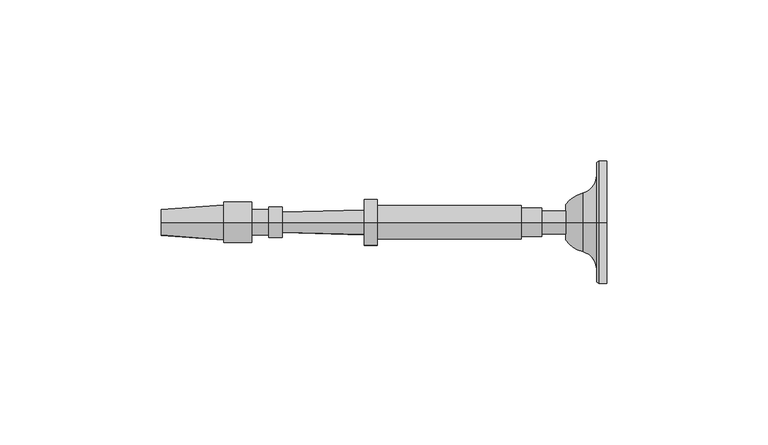
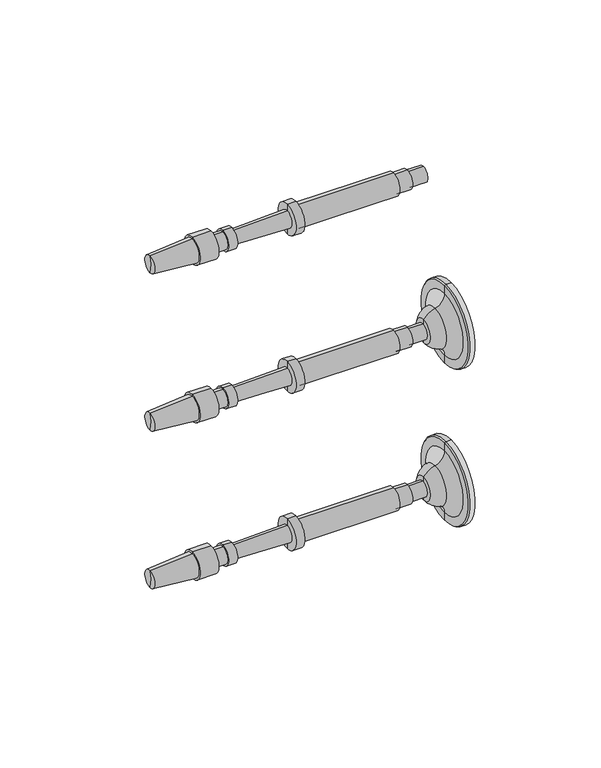
"""IFC4 building model written with IfcOpenShell, lengths in millimetres: railing geometry."""

from ifc_helpers import new_model, si_unit, point, frame, origin, place, context, project, spatial, polyline, circle_curve, ellipse_curve, trimmed, source, transform, mapped, element, save
from ifc_brep_helpers import plane_surface, cylinder_surface, revolved_surface, advanced_brep


def railing_0dcd67a9(model_context):
    return source(origin(), model_context, "Body", "AdvancedBrep", [
        advanced_brep(
        [(4032.408954, 20313.0866843, 33140.0282881), (4032.408954, 20313.0866843, 33147.1720381), (4032.408954, 20313.0866843, 33143.6001631), (3907.4650648, 20313.0866843, 33143.6001631), (3907.1694004, 20313.0866843, 33147.6246235), (3907.1694004, 20313.0866843, 33139.5757028), (3926.5127644, 20313.0866843, 33149.045719), (3926.5127644, 20313.0866843, 33138.1546072), (3926.5127644, 20313.0866843, 33149.9386877), (3926.5127644, 20313.0866843, 33137.2616385), (3935.1447956, 20313.0866843, 33149.9386877), (3935.1447956, 20313.0866843, 33137.2616385), (3935.1447956, 20313.0866843, 33147.5574377), (3935.1447956, 20313.0866843, 33139.6428885), (3940.5026081, 20313.0866843, 33147.5574377), (3940.5026081, 20313.0866843, 33139.6428885), (3940.5026081, 20313.0866843, 33148.3511877), (3940.5026081, 20313.0866843, 33138.8491385), (3944.5705769, 20313.0866843, 33148.3511877), (3944.5705769, 20313.0866843, 33138.8491385), (3944.614664, 20313.0866843, 33146.7643), (3944.614664, 20313.0866843, 33140.4360262), (3970.0048672, 20313.0866843, 33147.4696944), (3970.0048672, 20313.0866843, 33139.7306319), (3970.0048672, 20313.0866843, 33150.7439131), (3970.0048672, 20313.0866843, 33136.4564131), (3973.9736172, 20313.0866843, 33150.7439131), (3973.9736172, 20313.0866843, 33136.4564131), (3973.9736172, 20313.0866843, 33148.7595381), (3973.9736172, 20313.0866843, 33138.4407881), (4018.7212735, 20313.0866843, 33148.7595381), (4018.7212735, 20313.0866843, 33138.4407881), (4018.7212735, 20313.0866843, 33147.9657881), (4018.7212735, 20313.0866843, 33139.2345381), (4025.0712735, 20313.0866843, 33147.9657881), (4025.0712735, 20313.0866843, 33139.2345381), (4025.0712735, 20313.0866843, 33147.1720381), (4025.0712735, 20313.0866843, 33140.0282881)],
        [
            (0, 1, circle_curve(frame((4032.408954, 20313.0866843, 33143.6001631), z_axis=(1.0, 0.0, 0.0), x_axis=(0.0, 0.0, 1.0000000000000002)), 3.571875)),
            (1, 2),
            (2, 0),
            (1, 0, circle_curve(frame((4032.408954, 20313.0866843, 33143.6001631), z_axis=(1.0, 0.0, 0.0), x_axis=(0.0, 0.0, 1.0000000000000002)), 3.571875)),
            (3, 4),
            (4, 5, circle_curve(frame((3907.1694004, 20313.0866843, 33143.6001631), z_axis=(-1.0, 0.0, 0.0), x_axis=(0.0, 0.0, 1.0000000000000002)), 4.0244604)),
            (5, 3),
            (5, 4, circle_curve(frame((3907.1694004, 20313.0866843, 33143.6001631), z_axis=(-1.0, 0.0, 0.0), x_axis=(0.0, 0.0, 1.0000000000000002)), 4.0244604)),
            (4, 6),
            (6, 7, circle_curve(frame((3926.5127644, 20313.0866843, 33143.6001631), z_axis=(-1.0, 0.0, 0.0), x_axis=(0.0, 0.0, 1.0000000000000002)), 5.4455559)),
            (7, 5),
            (7, 6, circle_curve(frame((3926.5127644, 20313.0866843, 33143.6001631), z_axis=(-1.0, 0.0, 0.0), x_axis=(0.0, 0.0, 1.0000000000000002)), 5.4455559)),
            (6, 8),
            (8, 9, circle_curve(frame((3926.5127644, 20313.0866843, 33143.6001631), z_axis=(-1.0, 0.0, 0.0), x_axis=(0.0, 0.0, 1.0000000000000002)), 6.3385246)),
            (9, 7),
            (9, 8, circle_curve(frame((3926.5127644, 20313.0866843, 33143.6001631), z_axis=(-1.0, 0.0, 0.0), x_axis=(0.0, 0.0, 1.0000000000000002)), 6.3385246)),
            (8, 10),
            (10, 11, circle_curve(frame((3935.1447956, 20313.0866843, 33143.6001631), z_axis=(-1.0, 0.0, 0.0), x_axis=(0.0, 0.0, 1.0000000000000002)), 6.3385246)),
            (11, 9),
            (11, 10, circle_curve(frame((3935.1447956, 20313.0866843, 33143.6001631), z_axis=(-1.0, 0.0, 0.0), x_axis=(0.0, 0.0, 1.0000000000000002)), 6.3385246)),
            (10, 12),
            (12, 13, circle_curve(frame((3935.1447956, 20313.0866843, 33143.6001631), z_axis=(-1.0, 0.0, 0.0), x_axis=(0.0, 0.0, 1.0000000000000002)), 3.9572746)),
            (13, 11),
            (13, 12, circle_curve(frame((3935.1447956, 20313.0866843, 33143.6001631), z_axis=(-1.0, 0.0, 0.0), x_axis=(0.0, 0.0, 1.0000000000000002)), 3.9572746)),
            (12, 14),
            (14, 15, circle_curve(frame((3940.5026081, 20313.0866843, 33143.6001631), z_axis=(-1.0, 0.0, 0.0), x_axis=(0.0, 0.0, 1.0000000000000002)), 3.9572746)),
            (15, 13),
            (15, 14, circle_curve(frame((3940.5026081, 20313.0866843, 33143.6001631), z_axis=(-1.0, 0.0, 0.0), x_axis=(0.0, 0.0, 1.0000000000000002)), 3.9572746)),
            (14, 16),
            (16, 17, circle_curve(frame((3940.5026081, 20313.0866843, 33143.6001631), z_axis=(-1.0, 0.0, 0.0), x_axis=(0.0, 0.0, 1.0000000000000002)), 4.7510246)),
            (17, 15),
            (17, 16, circle_curve(frame((3940.5026081, 20313.0866843, 33143.6001631), z_axis=(-1.0, 0.0, 0.0), x_axis=(0.0, 0.0, 1.0000000000000002)), 4.7510246)),
            (16, 18),
            (18, 19, circle_curve(frame((3944.5705769, 20313.0866843, 33143.6001631), z_axis=(-1.0, 0.0, 0.0), x_axis=(0.0, 0.0, 1.0000000000000002)), 4.7510246)),
            (19, 17),
            (19, 18, circle_curve(frame((3944.5705769, 20313.0866843, 33143.6001631), z_axis=(-1.0, 0.0, 0.0), x_axis=(0.0, 0.0, 1.0000000000000002)), 4.7510246)),
            (18, 20),
            (20, 21, circle_curve(frame((3944.614664, 20313.0866843, 33143.6001631), z_axis=(-1.0, 0.0, 0.0), x_axis=(0.0, 0.0, 1.0000000000000002)), 3.1641369)),
            (21, 19),
            (21, 20, circle_curve(frame((3944.614664, 20313.0866843, 33143.6001631), z_axis=(-1.0, 0.0, 0.0), x_axis=(0.0, 0.0, 1.0000000000000002)), 3.1641369)),
            (20, 22),
            (22, 23, circle_curve(frame((3970.0048672, 20313.0866843, 33143.6001631), z_axis=(-1.0, 0.0, 0.0), x_axis=(0.0, 0.0, 1.0000000000000002)), 3.8695313)),
            (23, 21),
            (23, 22, circle_curve(frame((3970.0048672, 20313.0866843, 33143.6001631), z_axis=(-1.0, 0.0, 0.0), x_axis=(0.0, 0.0, 1.0000000000000002)), 3.8695313)),
            (22, 24),
            (24, 25, circle_curve(frame((3970.0048672, 20313.0866843, 33143.6001631), z_axis=(-1.0, 0.0, 0.0), x_axis=(0.0, 0.0, 1.0000000000000002)), 7.14375)),
            (25, 23),
            (25, 24, circle_curve(frame((3970.0048672, 20313.0866843, 33143.6001631), z_axis=(-1.0, 0.0, 0.0), x_axis=(0.0, 0.0, 1.0000000000000002)), 7.14375)),
            (24, 26),
            (26, 27, circle_curve(frame((3973.9736172, 20313.0866843, 33143.6001631), z_axis=(-1.0, 0.0, 0.0), x_axis=(0.0, 0.0, 1.0000000000000002)), 7.14375)),
            (27, 25),
            (27, 26, circle_curve(frame((3973.9736172, 20313.0866843, 33143.6001631), z_axis=(-1.0, 0.0, 0.0), x_axis=(0.0, 0.0, 1.0000000000000002)), 7.14375)),
            (26, 28),
            (28, 29, circle_curve(frame((3973.9736172, 20313.0866843, 33143.6001631), z_axis=(-1.0, 0.0, 0.0), x_axis=(0.0, 0.0, 1.0000000000000002)), 5.159375)),
            (29, 27),
            (29, 28, circle_curve(frame((3973.9736172, 20313.0866843, 33143.6001631), z_axis=(-1.0, 0.0, 0.0), x_axis=(0.0, 0.0, 1.0000000000000002)), 5.159375)),
            (28, 30),
            (30, 31, circle_curve(frame((4018.7212735, 20313.0866843, 33143.6001631), z_axis=(-1.0, 0.0, 0.0), x_axis=(0.0, 0.0, 1.0000000000000002)), 5.159375)),
            (31, 29),
            (31, 30, circle_curve(frame((4018.7212735, 20313.0866843, 33143.6001631), z_axis=(-1.0, 0.0, 0.0), x_axis=(0.0, 0.0, 1.0000000000000002)), 5.159375)),
            (30, 32),
            (32, 33, circle_curve(frame((4018.7212735, 20313.0866843, 33143.6001631), z_axis=(-1.0, 0.0, 0.0), x_axis=(0.0, 0.0, 1.0000000000000002)), 4.365625)),
            (33, 31),
            (33, 32, circle_curve(frame((4018.7212735, 20313.0866843, 33143.6001631), z_axis=(-1.0, 0.0, 0.0), x_axis=(0.0, 0.0, 1.0000000000000002)), 4.365625)),
            (32, 34),
            (34, 35, circle_curve(frame((4025.0712735, 20313.0866843, 33143.6001631), z_axis=(-1.0, 0.0, 0.0), x_axis=(0.0, 0.0, 1.0000000000000002)), 4.365625)),
            (35, 33),
            (35, 34, circle_curve(frame((4025.0712735, 20313.0866843, 33143.6001631), z_axis=(-1.0, 0.0, 0.0), x_axis=(0.0, 0.0, 1.0000000000000002)), 4.365625)),
            (34, 36),
            (36, 37, circle_curve(frame((4025.0712735, 20313.0866843, 33143.6001631), z_axis=(-1.0, 0.0, 0.0), x_axis=(0.0, 0.0, 1.0000000000000002)), 3.571875)),
            (37, 35),
            (37, 36, circle_curve(frame((4025.0712735, 20313.0866843, 33143.6001631), z_axis=(-1.0, 0.0, 0.0), x_axis=(0.0, 0.0, 1.0000000000000002)), 3.571875)),
            (36, 1),
            (0, 37),
        ],
        [
            plane_surface(frame((4032.408954, 20313.0866843, 33143.6001631), z_axis=(1.0, 0.0, 0.0), x_axis=(0.0, 0.0, 1.0))),
            revolved_surface(polyline([(3907.1694004, 20313.0866843, 33147.6246235), (3907.4650648, 20313.0866843, 33143.6001631)]), (3907.4650648, 20313.0866843, 33143.6001631), (-1.0, 0.0, 0.0)),
            revolved_surface(polyline([(3926.5127644, 20313.0866843, 33149.045719), (3907.1694004, 20313.0866843, 33147.6246235)]), (3907.4650648, 20313.0866843, 33143.6001631), (-1.0, 0.0, 0.0)),
            plane_surface(frame((3926.5127644, 20313.0866843, 33143.6001631), z_axis=(-1.0, 0.0, 0.0), x_axis=(0.0, 0.0, 1.0))),
            cylinder_surface(frame((3907.4650648, 20313.0866843, 33143.6001631), z_axis=(-1.0, 0.0, 0.0), x_axis=(0.0, 0.0, 1.0000000000000002)), 6.3385246),
            plane_surface(frame((3935.1447956, 20313.0866843, 33143.6001631), z_axis=(1.0, 0.0, 0.0), x_axis=(0.0, 0.0, 1.0))),
            cylinder_surface(frame((3907.4650648, 20313.0866843, 33143.6001631), z_axis=(-1.0, 0.0, 0.0), x_axis=(0.0, 0.0, 1.0000000000000002)), 3.9572746),
            plane_surface(frame((3940.5026081, 20313.0866843, 33143.6001631), z_axis=(-1.0, 0.0, 0.0), x_axis=(0.0, 0.0, 1.0))),
            cylinder_surface(frame((3907.4650648, 20313.0866843, 33143.6001631), z_axis=(-1.0, 0.0, 0.0), x_axis=(0.0, 0.0, 1.0000000000000002)), 4.7510246),
            plane_surface(frame((3944.614664, 20313.0866843, 33143.6001631), z_axis=(1.0, 0.0, 0.0), x_axis=(0.0, 0.0, 1.0))),
            revolved_surface(polyline([(3970.0048672, 20313.0866843, 33147.4696944), (3944.614664, 20313.0866843, 33146.7643)]), (3907.4650648, 20313.0866843, 33143.6001631), (-1.0, 0.0, 0.0)),
            plane_surface(frame((3970.0048672, 20313.0866843, 33143.6001631), z_axis=(-1.0, 0.0, 0.0), x_axis=(0.0, 0.0, 1.0))),
            cylinder_surface(frame((3907.4650648, 20313.0866843, 33143.6001631), z_axis=(-1.0, 0.0, 0.0), x_axis=(0.0, 0.0, 1.0000000000000002)), 7.14375),
            plane_surface(frame((3973.9736172, 20313.0866843, 33143.6001631), z_axis=(1.0, 0.0, 0.0), x_axis=(0.0, 0.0, 1.0))),
            cylinder_surface(frame((3907.4650648, 20313.0866843, 33143.6001631), z_axis=(-1.0, 0.0, 0.0), x_axis=(0.0, 0.0, 1.0000000000000002)), 5.159375),
            plane_surface(frame((4018.7212735, 20313.0866843, 33143.6001631), z_axis=(1.0, 0.0, 0.0), x_axis=(0.0, 0.0, 1.0))),
            cylinder_surface(frame((3907.4650648, 20313.0866843, 33143.6001631), z_axis=(-1.0, 0.0, 0.0), x_axis=(0.0, 0.0, 1.0000000000000002)), 4.365625),
            plane_surface(frame((4025.0712735, 20313.0866843, 33143.6001631), z_axis=(1.0, 0.0, 0.0), x_axis=(0.0, 0.0, 1.0))),
            cylinder_surface(frame((3907.4650648, 20313.0866843, 33143.6001631), z_axis=(-1.0, 0.0, 0.0), x_axis=(0.0, 0.0, 1.0000000000000002)), 3.571875),
        ],
        [
            (0, [[1, 2, 3]]),
            (0, [[4, -3, -2]]),
            (1, [[5, 6, 7]]),
            (1, [[-7, 8, -5]]),
            (2, [[-6, 9, 10, 11]]),
            (2, [[-8, -11, 12, -9]]),
            (3, [[-10, 13, 14, 15]]),
            (3, [[-12, -15, 16, -13]]),
            (4, [[-14, 17, 18, 19]]),
            (4, [[-16, -19, 20, -17]]),
            (5, [[-18, 21, 22, 23]]),
            (5, [[-20, -23, 24, -21]]),
            (6, [[-22, 25, 26, 27]]),
            (6, [[-24, -27, 28, -25]]),
            (7, [[-26, 29, 30, 31]]),
            (7, [[-28, -31, 32, -29]]),
            (8, [[-30, 33, 34, 35]]),
            (8, [[-32, -35, 36, -33]]),
            (9, [[-34, 37, 38, 39]]),
            (9, [[-36, -39, 40, -37]]),
            (10, [[-38, 41, 42, 43]]),
            (10, [[-40, -43, 44, -41]]),
            (11, [[-42, 45, 46, 47]]),
            (11, [[-44, -47, 48, -45]]),
            (12, [[-46, 49, 50, 51]]),
            (12, [[-48, -51, 52, -49]]),
            (13, [[-50, 53, 54, 55]]),
            (13, [[-52, -55, 56, -53]]),
            (14, [[-54, 57, 58, 59]]),
            (14, [[-56, -59, 60, -57]]),
            (15, [[-58, 61, 62, 63]]),
            (15, [[-60, -63, 64, -61]]),
            (16, [[-62, 65, 66, 67]]),
            (16, [[-64, -67, 68, -65]]),
            (17, [[-66, 69, 70, 71]]),
            (17, [[-68, -71, 72, -69]]),
            (18, [[-70, 73, -1, 74]]),
            (18, [[-72, -74, -4, -73]]),
        ],
    ),
        advanced_brep(
        [(4045.1015906, 20313.0866843, 33067.4001631), (4045.1015906, 20313.0866843, 33048.3501631), (4045.1015906, 20313.0866843, 33086.4501631), (4032.408954, 20313.0866843, 33061.8769785), (4032.408954, 20313.0866843, 33067.4001631), (4032.408954, 20313.0866843, 33072.9233478), (4037.6850504, 20313.0866843, 33058.2720381), (4037.6850504, 20313.0866843, 33076.5282881), (4042.0506754, 20313.0866843, 33052.6458254), (4042.0506754, 20313.0866843, 33082.1545009), (4042.0506754, 20313.0866843, 33048.7762941), (4042.0506754, 20313.0866843, 33086.0240321), (4042.7203406, 20313.0866843, 33048.3501631), (4042.7203406, 20313.0866843, 33086.4501631)],
        [
            (0, 1),
            (1, 2, circle_curve(frame((4045.1015906, 20313.0866843, 33067.4001631), z_axis=(1.0, 0.0, 0.0), x_axis=(0.0, 0.0, 1.0)), 19.05)),
            (2, 0),
            (2, 1, circle_curve(frame((4045.1015906, 20313.0866843, 33067.4001631), z_axis=(1.0, 0.0, 0.0), x_axis=(0.0, 0.0, 1.0)), 19.05)),
            (3, 4),
            (4, 5),
            (5, 3, circle_curve(frame((4032.408954, 20313.0866843, 33067.4001631), z_axis=(-1.0, 0.0, 0.0), x_axis=(0.0, 0.0, 1.0)), 5.5231846)),
            (3, 5, circle_curve(frame((4032.408954, 20313.0866843, 33067.4001631), z_axis=(-1.0, 0.0, 0.0), x_axis=(0.0, 0.0, 1.0)), 5.5231846)),
            (6, 3, circle_curve(frame((4040.0094591, 20313.0866843, 33067.3374304), z_axis=(0.0, 1.0, 0.0), x_axis=(-1.0, 0.0, 0.0)), 9.3586438)),
            (5, 7, circle_curve(frame((4040.0094591, 20313.0866843, 33067.4628958), z_axis=(0.0, 1.0, 0.0), x_axis=(-1.0, 0.0, 0.0)), 9.3586438)),
            (7, 6, circle_curve(frame((4037.6850504, 20313.0866843, 33067.4001631), z_axis=(-1.0, 0.0, 0.0), x_axis=(0.0, 0.0, 1.0)), 9.128125)),
            (6, 7, circle_curve(frame((4037.6850504, 20313.0866843, 33067.4001631), z_axis=(-1.0, 0.0, 0.0), x_axis=(0.0, 0.0, 1.0)), 9.128125)),
            (8, 6, circle_curve(frame((4036.2424634, 20313.0866843, 33052.6458254), z_axis=(0.0, -1.0, 0.0), x_axis=(-1.0, 0.0, 0.0)), 5.8082121)),
            (7, 9, circle_curve(frame((4036.2424634, 20313.0866843, 33082.1545009), z_axis=(0.0, -1.0, 0.0), x_axis=(-1.0, 0.0, 0.0)), 5.8082121)),
            (9, 8, circle_curve(frame((4042.0506754, 20313.0866843, 33067.4001631), z_axis=(-1.0, 0.0, 0.0), x_axis=(0.0, 0.0, 1.0)), 14.7543378)),
            (8, 9, circle_curve(frame((4042.0506754, 20313.0866843, 33067.4001631), z_axis=(-1.0, 0.0, 0.0), x_axis=(0.0, 0.0, 1.0)), 14.7543378)),
            (10, 8),
            (9, 11),
            (11, 10, circle_curve(frame((4042.0506754, 20313.0866843, 33067.4001631), z_axis=(-1.0, 0.0, 0.0), x_axis=(0.0, 0.0, 1.0)), 18.623869)),
            (10, 11, circle_curve(frame((4042.0506754, 20313.0866843, 33067.4001631), z_axis=(-1.0, 0.0, 0.0), x_axis=(0.0, 0.0, 1.0)), 18.623869)),
            (12, 10),
            (11, 13),
            (13, 12, circle_curve(frame((4042.7203406, 20313.0866843, 33067.4001631), z_axis=(-1.0, 0.0, 0.0), x_axis=(0.0, 0.0, 1.0)), 19.05)),
            (12, 13, circle_curve(frame((4042.7203406, 20313.0866843, 33067.4001631), z_axis=(-1.0, 0.0, 0.0), x_axis=(0.0, 0.0, 1.0)), 19.05)),
            (1, 12),
            (13, 2),
        ],
        [
            plane_surface(frame((4045.1015906, 20313.0866843, 33067.4001631), z_axis=(1.0, 0.0, 0.0), x_axis=(0.0, 0.0, 1.0))),
            plane_surface(frame((4032.408954, 20313.0866843, 33067.4001631), z_axis=(-1.0, 0.0, 0.0), x_axis=(0.0, 0.0, 1.0))),
            revolved_surface(trimmed(ellipse_curve(frame((4040.0094591, 20313.0866843, 33067.4628958), z_axis=(0.0, 1.0, 0.0), x_axis=(-1.0, 0.0, 0.0)), 9.3586438, 9.3586438), [point((4032.408954, 20313.0866843, 33072.9233478))], [point((4037.6850504, 20313.0866843, 33076.5282881))], True, "CARTESIAN"), (4045.1015906, 20313.0866843, 33067.4001631), (1.0, 0.0, 0.0)),
            revolved_surface(trimmed(ellipse_curve(frame((4036.2424634, 20313.0866843, 33082.1545009), z_axis=(0.0, -1.0, 0.0), x_axis=(-1.0, 0.0, 0.0)), 5.8082121, 5.8082121), [point((4037.6850504, 20313.0866843, 33076.5282881))], [point((4042.0506754, 20313.0866843, 33082.1545009))], True, "CARTESIAN"), (4045.1015906, 20313.0866843, 33067.4001631), (1.0, 0.0, 0.0)),
            plane_surface(frame((4042.0506754, 20313.0866843, 33067.4001631), z_axis=(-1.0, 0.0, 0.0), x_axis=(0.0, 0.0, 1.0))),
            revolved_surface(polyline([(4042.0506754, 20313.0866843, 33086.0240321), (4042.7203406, 20313.0866843, 33086.4501631)]), (4045.1015906, 20313.0866843, 33067.4001631), (1.0, 0.0, 0.0)),
            cylinder_surface(frame((4045.1015906, 20313.0866843, 33067.4001631), z_axis=(1.0, 0.0, 0.0), x_axis=(0.0, 0.0, 1.0)), 19.05),
        ],
        [
            (0, [[1, 2, 3]]),
            (0, [[-3, 4, -1]]),
            (1, [[5, 6, 7]]),
            (1, [[-6, -5, 8]]),
            (2, [[9, -7, 10, 11]]),
            (2, [[-10, -8, -9, 12]]),
            (3, [[13, -11, 14, 15]]),
            (3, [[-14, -12, -13, 16]]),
            (4, [[17, -15, 18, 19]]),
            (4, [[-18, -16, -17, 20]]),
            (5, [[21, -19, 22, 23]]),
            (5, [[-22, -20, -21, 24]]),
            (6, [[25, -23, 26, -2]]),
            (6, [[-26, -24, -25, -4]]),
        ],
    ),
        advanced_brep(
        [(4032.408954, 20313.0866843, 33063.8282881), (4032.408954, 20313.0866843, 33070.9720381), (4032.408954, 20313.0866843, 33067.4001631), (3907.4650648, 20313.0866843, 33067.4001631), (3907.1694004, 20313.0866843, 33071.4246235), (3907.1694004, 20313.0866843, 33063.3757028), (3926.5127644, 20313.0866843, 33072.845719), (3926.5127644, 20313.0866843, 33061.9546072), (3926.5127644, 20313.0866843, 33073.7386877), (3926.5127644, 20313.0866843, 33061.0616385), (3935.1447956, 20313.0866843, 33073.7386877), (3935.1447956, 20313.0866843, 33061.0616385), (3935.1447956, 20313.0866843, 33071.3574377), (3935.1447956, 20313.0866843, 33063.4428885), (3940.5026081, 20313.0866843, 33071.3574377), (3940.5026081, 20313.0866843, 33063.4428885), (3940.5026081, 20313.0866843, 33072.1511877), (3940.5026081, 20313.0866843, 33062.6491385), (3944.5705769, 20313.0866843, 33072.1511877), (3944.5705769, 20313.0866843, 33062.6491385), (3944.614664, 20313.0866843, 33070.5643), (3944.614664, 20313.0866843, 33064.2360262), (3970.0048672, 20313.0866843, 33071.2696944), (3970.0048672, 20313.0866843, 33063.5306319), (3970.0048672, 20313.0866843, 33074.5439131), (3970.0048672, 20313.0866843, 33060.2564131), (3973.9736172, 20313.0866843, 33074.5439131), (3973.9736172, 20313.0866843, 33060.2564131), (3973.9736172, 20313.0866843, 33072.5595381), (3973.9736172, 20313.0866843, 33062.2407881), (4018.7212735, 20313.0866843, 33072.5595381), (4018.7212735, 20313.0866843, 33062.2407881), (4018.7212735, 20313.0866843, 33071.7657881), (4018.7212735, 20313.0866843, 33063.0345381), (4025.0712735, 20313.0866843, 33071.7657881), (4025.0712735, 20313.0866843, 33063.0345381), (4025.0712735, 20313.0866843, 33070.9720381), (4025.0712735, 20313.0866843, 33063.8282881)],
        [
            (0, 1, circle_curve(frame((4032.408954, 20313.0866843, 33067.4001631), z_axis=(1.0, 0.0, 0.0), x_axis=(0.0, 0.0, 1.0000000000000002)), 3.571875)),
            (1, 2),
            (2, 0),
            (1, 0, circle_curve(frame((4032.408954, 20313.0866843, 33067.4001631), z_axis=(1.0, 0.0, 0.0), x_axis=(0.0, 0.0, 1.0000000000000002)), 3.571875)),
            (3, 4),
            (4, 5, circle_curve(frame((3907.1694004, 20313.0866843, 33067.4001631), z_axis=(-1.0, 0.0, 0.0), x_axis=(0.0, 0.0, 1.0000000000000002)), 4.0244604)),
            (5, 3),
            (5, 4, circle_curve(frame((3907.1694004, 20313.0866843, 33067.4001631), z_axis=(-1.0, 0.0, 0.0), x_axis=(0.0, 0.0, 1.0000000000000002)), 4.0244604)),
            (4, 6),
            (6, 7, circle_curve(frame((3926.5127644, 20313.0866843, 33067.4001631), z_axis=(-1.0, 0.0, 0.0), x_axis=(0.0, 0.0, 1.0000000000000002)), 5.4455559)),
            (7, 5),
            (7, 6, circle_curve(frame((3926.5127644, 20313.0866843, 33067.4001631), z_axis=(-1.0, 0.0, 0.0), x_axis=(0.0, 0.0, 1.0000000000000002)), 5.4455559)),
            (6, 8),
            (8, 9, circle_curve(frame((3926.5127644, 20313.0866843, 33067.4001631), z_axis=(-1.0, 0.0, 0.0), x_axis=(0.0, 0.0, 1.0000000000000002)), 6.3385246)),
            (9, 7),
            (9, 8, circle_curve(frame((3926.5127644, 20313.0866843, 33067.4001631), z_axis=(-1.0, 0.0, 0.0), x_axis=(0.0, 0.0, 1.0000000000000002)), 6.3385246)),
            (8, 10),
            (10, 11, circle_curve(frame((3935.1447956, 20313.0866843, 33067.4001631), z_axis=(-1.0, 0.0, 0.0), x_axis=(0.0, 0.0, 1.0000000000000002)), 6.3385246)),
            (11, 9),
            (11, 10, circle_curve(frame((3935.1447956, 20313.0866843, 33067.4001631), z_axis=(-1.0, 0.0, 0.0), x_axis=(0.0, 0.0, 1.0000000000000002)), 6.3385246)),
            (10, 12),
            (12, 13, circle_curve(frame((3935.1447956, 20313.0866843, 33067.4001631), z_axis=(-1.0, 0.0, 0.0), x_axis=(0.0, 0.0, 1.0000000000000002)), 3.9572746)),
            (13, 11),
            (13, 12, circle_curve(frame((3935.1447956, 20313.0866843, 33067.4001631), z_axis=(-1.0, 0.0, 0.0), x_axis=(0.0, 0.0, 1.0000000000000002)), 3.9572746)),
            (12, 14),
            (14, 15, circle_curve(frame((3940.5026081, 20313.0866843, 33067.4001631), z_axis=(-1.0, 0.0, 0.0), x_axis=(0.0, 0.0, 1.0000000000000002)), 3.9572746)),
            (15, 13),
            (15, 14, circle_curve(frame((3940.5026081, 20313.0866843, 33067.4001631), z_axis=(-1.0, 0.0, 0.0), x_axis=(0.0, 0.0, 1.0000000000000002)), 3.9572746)),
            (14, 16),
            (16, 17, circle_curve(frame((3940.5026081, 20313.0866843, 33067.4001631), z_axis=(-1.0, 0.0, 0.0), x_axis=(0.0, 0.0, 1.0000000000000002)), 4.7510246)),
            (17, 15),
            (17, 16, circle_curve(frame((3940.5026081, 20313.0866843, 33067.4001631), z_axis=(-1.0, 0.0, 0.0), x_axis=(0.0, 0.0, 1.0000000000000002)), 4.7510246)),
            (16, 18),
            (18, 19, circle_curve(frame((3944.5705769, 20313.0866843, 33067.4001631), z_axis=(-1.0, 0.0, 0.0), x_axis=(0.0, 0.0, 1.0000000000000002)), 4.7510246)),
            (19, 17),
            (19, 18, circle_curve(frame((3944.5705769, 20313.0866843, 33067.4001631), z_axis=(-1.0, 0.0, 0.0), x_axis=(0.0, 0.0, 1.0000000000000002)), 4.7510246)),
            (18, 20),
            (20, 21, circle_curve(frame((3944.614664, 20313.0866843, 33067.4001631), z_axis=(-1.0, 0.0, 0.0), x_axis=(0.0, 0.0, 1.0000000000000002)), 3.1641369)),
            (21, 19),
            (21, 20, circle_curve(frame((3944.614664, 20313.0866843, 33067.4001631), z_axis=(-1.0, 0.0, 0.0), x_axis=(0.0, 0.0, 1.0000000000000002)), 3.1641369)),
            (20, 22),
            (22, 23, circle_curve(frame((3970.0048672, 20313.0866843, 33067.4001631), z_axis=(-1.0, 0.0, 0.0), x_axis=(0.0, 0.0, 1.0000000000000002)), 3.8695313)),
            (23, 21),
            (23, 22, circle_curve(frame((3970.0048672, 20313.0866843, 33067.4001631), z_axis=(-1.0, 0.0, 0.0), x_axis=(0.0, 0.0, 1.0000000000000002)), 3.8695313)),
            (22, 24),
            (24, 25, circle_curve(frame((3970.0048672, 20313.0866843, 33067.4001631), z_axis=(-1.0, 0.0, 0.0), x_axis=(0.0, 0.0, 1.0000000000000002)), 7.14375)),
            (25, 23),
            (25, 24, circle_curve(frame((3970.0048672, 20313.0866843, 33067.4001631), z_axis=(-1.0, 0.0, 0.0), x_axis=(0.0, 0.0, 1.0000000000000002)), 7.14375)),
            (24, 26),
            (26, 27, circle_curve(frame((3973.9736172, 20313.0866843, 33067.4001631), z_axis=(-1.0, 0.0, 0.0), x_axis=(0.0, 0.0, 1.0000000000000002)), 7.14375)),
            (27, 25),
            (27, 26, circle_curve(frame((3973.9736172, 20313.0866843, 33067.4001631), z_axis=(-1.0, 0.0, 0.0), x_axis=(0.0, 0.0, 1.0000000000000002)), 7.14375)),
            (26, 28),
            (28, 29, circle_curve(frame((3973.9736172, 20313.0866843, 33067.4001631), z_axis=(-1.0, 0.0, 0.0), x_axis=(0.0, 0.0, 1.0000000000000002)), 5.159375)),
            (29, 27),
            (29, 28, circle_curve(frame((3973.9736172, 20313.0866843, 33067.4001631), z_axis=(-1.0, 0.0, 0.0), x_axis=(0.0, 0.0, 1.0000000000000002)), 5.159375)),
            (28, 30),
            (30, 31, circle_curve(frame((4018.7212735, 20313.0866843, 33067.4001631), z_axis=(-1.0, 0.0, 0.0), x_axis=(0.0, 0.0, 1.0000000000000002)), 5.159375)),
            (31, 29),
            (31, 30, circle_curve(frame((4018.7212735, 20313.0866843, 33067.4001631), z_axis=(-1.0, 0.0, 0.0), x_axis=(0.0, 0.0, 1.0000000000000002)), 5.159375)),
            (30, 32),
            (32, 33, circle_curve(frame((4018.7212735, 20313.0866843, 33067.4001631), z_axis=(-1.0, 0.0, 0.0), x_axis=(0.0, 0.0, 1.0000000000000002)), 4.365625)),
            (33, 31),
            (33, 32, circle_curve(frame((4018.7212735, 20313.0866843, 33067.4001631), z_axis=(-1.0, 0.0, 0.0), x_axis=(0.0, 0.0, 1.0000000000000002)), 4.365625)),
            (32, 34),
            (34, 35, circle_curve(frame((4025.0712735, 20313.0866843, 33067.4001631), z_axis=(-1.0, 0.0, 0.0), x_axis=(0.0, 0.0, 1.0000000000000002)), 4.365625)),
            (35, 33),
            (35, 34, circle_curve(frame((4025.0712735, 20313.0866843, 33067.4001631), z_axis=(-1.0, 0.0, 0.0), x_axis=(0.0, 0.0, 1.0000000000000002)), 4.365625)),
            (34, 36),
            (36, 37, circle_curve(frame((4025.0712735, 20313.0866843, 33067.4001631), z_axis=(-1.0, 0.0, 0.0), x_axis=(0.0, 0.0, 1.0000000000000002)), 3.571875)),
            (37, 35),
            (37, 36, circle_curve(frame((4025.0712735, 20313.0866843, 33067.4001631), z_axis=(-1.0, 0.0, 0.0), x_axis=(0.0, 0.0, 1.0000000000000002)), 3.571875)),
            (36, 1),
            (0, 37),
        ],
        [
            plane_surface(frame((4032.408954, 20313.0866843, 33067.4001631), z_axis=(1.0, 0.0, 0.0), x_axis=(0.0, 0.0, 1.0))),
            revolved_surface(polyline([(3907.1694004, 20313.0866843, 33071.4246235), (3907.4650648, 20313.0866843, 33067.4001631)]), (3907.4650648, 20313.0866843, 33067.4001631), (-1.0, 0.0, 0.0)),
            revolved_surface(polyline([(3926.5127644, 20313.0866843, 33072.845719), (3907.1694004, 20313.0866843, 33071.4246235)]), (3907.4650648, 20313.0866843, 33067.4001631), (-1.0, 0.0, 0.0)),
            plane_surface(frame((3926.5127644, 20313.0866843, 33067.4001631), z_axis=(-1.0, 0.0, 0.0), x_axis=(0.0, 0.0, 1.0))),
            cylinder_surface(frame((3907.4650648, 20313.0866843, 33067.4001631), z_axis=(-1.0, 0.0, 0.0), x_axis=(0.0, 0.0, 1.0000000000000002)), 6.3385246),
            plane_surface(frame((3935.1447956, 20313.0866843, 33067.4001631), z_axis=(1.0, 0.0, 0.0), x_axis=(0.0, 0.0, 1.0))),
            cylinder_surface(frame((3907.4650648, 20313.0866843, 33067.4001631), z_axis=(-1.0, 0.0, 0.0), x_axis=(0.0, 0.0, 1.0000000000000002)), 3.9572746),
            plane_surface(frame((3940.5026081, 20313.0866843, 33067.4001631), z_axis=(-1.0, 0.0, 0.0), x_axis=(0.0, 0.0, 1.0))),
            cylinder_surface(frame((3907.4650648, 20313.0866843, 33067.4001631), z_axis=(-1.0, 0.0, 0.0), x_axis=(0.0, 0.0, 1.0000000000000002)), 4.7510246),
            plane_surface(frame((3944.614664, 20313.0866843, 33067.4001631), z_axis=(1.0, 0.0, 0.0), x_axis=(0.0, 0.0, 1.0))),
            revolved_surface(polyline([(3970.0048672, 20313.0866843, 33071.2696944), (3944.614664, 20313.0866843, 33070.5643)]), (3907.4650648, 20313.0866843, 33067.4001631), (-1.0, 0.0, 0.0)),
            plane_surface(frame((3970.0048672, 20313.0866843, 33067.4001631), z_axis=(-1.0, 0.0, 0.0), x_axis=(0.0, 0.0, 1.0))),
            cylinder_surface(frame((3907.4650648, 20313.0866843, 33067.4001631), z_axis=(-1.0, 0.0, 0.0), x_axis=(0.0, 0.0, 1.0000000000000002)), 7.14375),
            plane_surface(frame((3973.9736172, 20313.0866843, 33067.4001631), z_axis=(1.0, 0.0, 0.0), x_axis=(0.0, 0.0, 1.0))),
            cylinder_surface(frame((3907.4650648, 20313.0866843, 33067.4001631), z_axis=(-1.0, 0.0, 0.0), x_axis=(0.0, 0.0, 1.0000000000000002)), 5.159375),
            plane_surface(frame((4018.7212735, 20313.0866843, 33067.4001631), z_axis=(1.0, 0.0, 0.0), x_axis=(0.0, 0.0, 1.0))),
            cylinder_surface(frame((3907.4650648, 20313.0866843, 33067.4001631), z_axis=(-1.0, 0.0, 0.0), x_axis=(0.0, 0.0, 1.0000000000000002)), 4.365625),
            plane_surface(frame((4025.0712735, 20313.0866843, 33067.4001631), z_axis=(1.0, 0.0, 0.0), x_axis=(0.0, 0.0, 1.0))),
            cylinder_surface(frame((3907.4650648, 20313.0866843, 33067.4001631), z_axis=(-1.0, 0.0, 0.0), x_axis=(0.0, 0.0, 1.0000000000000002)), 3.571875),
        ],
        [
            (0, [[1, 2, 3]]),
            (0, [[4, -3, -2]]),
            (1, [[5, 6, 7]]),
            (1, [[-7, 8, -5]]),
            (2, [[-6, 9, 10, 11]]),
            (2, [[-8, -11, 12, -9]]),
            (3, [[-10, 13, 14, 15]]),
            (3, [[-12, -15, 16, -13]]),
            (4, [[-14, 17, 18, 19]]),
            (4, [[-16, -19, 20, -17]]),
            (5, [[-18, 21, 22, 23]]),
            (5, [[-20, -23, 24, -21]]),
            (6, [[-22, 25, 26, 27]]),
            (6, [[-24, -27, 28, -25]]),
            (7, [[-26, 29, 30, 31]]),
            (7, [[-28, -31, 32, -29]]),
            (8, [[-30, 33, 34, 35]]),
            (8, [[-32, -35, 36, -33]]),
            (9, [[-34, 37, 38, 39]]),
            (9, [[-36, -39, 40, -37]]),
            (10, [[-38, 41, 42, 43]]),
            (10, [[-40, -43, 44, -41]]),
            (11, [[-42, 45, 46, 47]]),
            (11, [[-44, -47, 48, -45]]),
            (12, [[-46, 49, 50, 51]]),
            (12, [[-48, -51, 52, -49]]),
            (13, [[-50, 53, 54, 55]]),
            (13, [[-52, -55, 56, -53]]),
            (14, [[-54, 57, 58, 59]]),
            (14, [[-56, -59, 60, -57]]),
            (15, [[-58, 61, 62, 63]]),
            (15, [[-60, -63, 64, -61]]),
            (16, [[-62, 65, 66, 67]]),
            (16, [[-64, -67, 68, -65]]),
            (17, [[-66, 69, 70, 71]]),
            (17, [[-68, -71, 72, -69]]),
            (18, [[-70, 73, -1, 74]]),
            (18, [[-72, -74, -4, -73]]),
        ],
    ),
        advanced_brep(
        [(4045.1015906, 20313.0866843, 32991.2001631), (4045.1015906, 20313.0866843, 32972.1501631), (4045.1015906, 20313.0866843, 33010.2501631), (4032.408954, 20313.0866843, 32985.6769785), (4032.408954, 20313.0866843, 32991.2001631), (4032.408954, 20313.0866843, 32996.7233478), (4037.6850504, 20313.0866843, 32982.0720381), (4037.6850504, 20313.0866843, 33000.3282881), (4042.0506754, 20313.0866843, 32976.4458254), (4042.0506754, 20313.0866843, 33005.9545009), (4042.0506754, 20313.0866843, 32972.5762941), (4042.0506754, 20313.0866843, 33009.8240321), (4042.7203406, 20313.0866843, 32972.1501631), (4042.7203406, 20313.0866843, 33010.2501631)],
        [
            (0, 1),
            (1, 2, circle_curve(frame((4045.1015906, 20313.0866843, 32991.2001631), z_axis=(1.0, 0.0, 0.0), x_axis=(0.0, 0.0, 1.0)), 19.05)),
            (2, 0),
            (2, 1, circle_curve(frame((4045.1015906, 20313.0866843, 32991.2001631), z_axis=(1.0, 0.0, 0.0), x_axis=(0.0, 0.0, 1.0)), 19.05)),
            (3, 4),
            (4, 5),
            (5, 3, circle_curve(frame((4032.408954, 20313.0866843, 32991.2001631), z_axis=(-1.0, 0.0, 0.0), x_axis=(0.0, 0.0, 1.0)), 5.5231846)),
            (3, 5, circle_curve(frame((4032.408954, 20313.0866843, 32991.2001631), z_axis=(-1.0, 0.0, 0.0), x_axis=(0.0, 0.0, 1.0)), 5.5231846)),
            (6, 3, circle_curve(frame((4040.0094591, 20313.0866843, 32991.1374304), z_axis=(0.0, 1.0, 0.0), x_axis=(-1.0, 0.0, 0.0)), 9.3586438)),
            (5, 7, circle_curve(frame((4040.0094591, 20313.0866843, 32991.2628958), z_axis=(0.0, 1.0, 0.0), x_axis=(-1.0, 0.0, 0.0)), 9.3586438)),
            (7, 6, circle_curve(frame((4037.6850504, 20313.0866843, 32991.2001631), z_axis=(-1.0, 0.0, 0.0), x_axis=(0.0, 0.0, 1.0)), 9.128125)),
            (6, 7, circle_curve(frame((4037.6850504, 20313.0866843, 32991.2001631), z_axis=(-1.0, 0.0, 0.0), x_axis=(0.0, 0.0, 1.0)), 9.128125)),
            (8, 6, circle_curve(frame((4036.2424634, 20313.0866843, 32976.4458254), z_axis=(0.0, -1.0, 0.0), x_axis=(-1.0, 0.0, 0.0)), 5.8082121)),
            (7, 9, circle_curve(frame((4036.2424634, 20313.0866843, 33005.9545009), z_axis=(0.0, -1.0, 0.0), x_axis=(-1.0, 0.0, 0.0)), 5.8082121)),
            (9, 8, circle_curve(frame((4042.0506754, 20313.0866843, 32991.2001631), z_axis=(-1.0, 0.0, 0.0), x_axis=(0.0, 0.0, 1.0)), 14.7543378)),
            (8, 9, circle_curve(frame((4042.0506754, 20313.0866843, 32991.2001631), z_axis=(-1.0, 0.0, 0.0), x_axis=(0.0, 0.0, 1.0)), 14.7543378)),
            (10, 8),
            (9, 11),
            (11, 10, circle_curve(frame((4042.0506754, 20313.0866843, 32991.2001631), z_axis=(-1.0, 0.0, 0.0), x_axis=(0.0, 0.0, 1.0)), 18.623869)),
            (10, 11, circle_curve(frame((4042.0506754, 20313.0866843, 32991.2001631), z_axis=(-1.0, 0.0, 0.0), x_axis=(0.0, 0.0, 1.0)), 18.623869)),
            (12, 10),
            (11, 13),
            (13, 12, circle_curve(frame((4042.7203406, 20313.0866843, 32991.2001631), z_axis=(-1.0, 0.0, 0.0), x_axis=(0.0, 0.0, 1.0)), 19.05)),
            (12, 13, circle_curve(frame((4042.7203406, 20313.0866843, 32991.2001631), z_axis=(-1.0, 0.0, 0.0), x_axis=(0.0, 0.0, 1.0)), 19.05)),
            (1, 12),
            (13, 2),
        ],
        [
            plane_surface(frame((4045.1015906, 20313.0866843, 32991.2001631), z_axis=(1.0, 0.0, 0.0), x_axis=(0.0, 0.0, 1.0))),
            plane_surface(frame((4032.408954, 20313.0866843, 32991.2001631), z_axis=(-1.0, 0.0, 0.0), x_axis=(0.0, 0.0, 1.0))),
            revolved_surface(trimmed(ellipse_curve(frame((4040.0094591, 20313.0866843, 32991.2628958), z_axis=(0.0, 1.0, 0.0), x_axis=(-1.0, 0.0, 0.0)), 9.3586438, 9.3586438), [point((4032.408954, 20313.0866843, 32996.7233478))], [point((4037.6850504, 20313.0866843, 33000.3282881))], True, "CARTESIAN"), (4045.1015906, 20313.0866843, 32991.2001631), (1.0, 0.0, 0.0)),
            revolved_surface(trimmed(ellipse_curve(frame((4036.2424634, 20313.0866843, 33005.9545009), z_axis=(0.0, -1.0, 0.0), x_axis=(-1.0, 0.0, 0.0)), 5.8082121, 5.8082121), [point((4037.6850504, 20313.0866843, 33000.3282881))], [point((4042.0506754, 20313.0866843, 33005.9545009))], True, "CARTESIAN"), (4045.1015906, 20313.0866843, 32991.2001631), (1.0, 0.0, 0.0)),
            plane_surface(frame((4042.0506754, 20313.0866843, 32991.2001631), z_axis=(-1.0, 0.0, 0.0), x_axis=(0.0, 0.0, 1.0))),
            revolved_surface(polyline([(4042.0506754, 20313.0866843, 33009.8240321), (4042.7203406, 20313.0866843, 33010.2501631)]), (4045.1015906, 20313.0866843, 32991.2001631), (1.0, 0.0, 0.0)),
            cylinder_surface(frame((4045.1015906, 20313.0866843, 32991.2001631), z_axis=(1.0, 0.0, 0.0), x_axis=(0.0, 0.0, 1.0)), 19.05),
        ],
        [
            (0, [[1, 2, 3]]),
            (0, [[-3, 4, -1]]),
            (1, [[5, 6, 7]]),
            (1, [[-6, -5, 8]]),
            (2, [[9, -7, 10, 11]]),
            (2, [[-10, -8, -9, 12]]),
            (3, [[13, -11, 14, 15]]),
            (3, [[-14, -12, -13, 16]]),
            (4, [[17, -15, 18, 19]]),
            (4, [[-18, -16, -17, 20]]),
            (5, [[21, -19, 22, 23]]),
            (5, [[-22, -20, -21, 24]]),
            (6, [[25, -23, 26, -2]]),
            (6, [[-26, -24, -25, -4]]),
        ],
    ),
        advanced_brep(
        [(4032.408954, 20313.0866843, 32987.6282881), (4032.408954, 20313.0866843, 32994.7720381), (4032.408954, 20313.0866843, 32991.2001631), (3907.4650648, 20313.0866843, 32991.2001631), (3907.1694004, 20313.0866843, 32995.2246235), (3907.1694004, 20313.0866843, 32987.1757028), (3926.5127644, 20313.0866843, 32996.645719), (3926.5127644, 20313.0866843, 32985.7546072), (3926.5127644, 20313.0866843, 32997.5386877), (3926.5127644, 20313.0866843, 32984.8616385), (3935.1447956, 20313.0866843, 32997.5386877), (3935.1447956, 20313.0866843, 32984.8616385), (3935.1447956, 20313.0866843, 32995.1574377), (3935.1447956, 20313.0866843, 32987.2428885), (3940.5026081, 20313.0866843, 32995.1574377), (3940.5026081, 20313.0866843, 32987.2428885), (3940.5026081, 20313.0866843, 32995.9511877), (3940.5026081, 20313.0866843, 32986.4491385), (3944.5705769, 20313.0866843, 32995.9511877), (3944.5705769, 20313.0866843, 32986.4491385), (3944.614664, 20313.0866843, 32994.3643), (3944.614664, 20313.0866843, 32988.0360262), (3970.0048672, 20313.0866843, 32995.0696944), (3970.0048672, 20313.0866843, 32987.3306319), (3970.0048672, 20313.0866843, 32998.3439131), (3970.0048672, 20313.0866843, 32984.0564131), (3973.9736172, 20313.0866843, 32998.3439131), (3973.9736172, 20313.0866843, 32984.0564131), (3973.9736172, 20313.0866843, 32996.3595381), (3973.9736172, 20313.0866843, 32986.0407881), (4018.7212735, 20313.0866843, 32996.3595381), (4018.7212735, 20313.0866843, 32986.0407881), (4018.7212735, 20313.0866843, 32995.5657881), (4018.7212735, 20313.0866843, 32986.8345381), (4025.0712735, 20313.0866843, 32995.5657881), (4025.0712735, 20313.0866843, 32986.8345381), (4025.0712735, 20313.0866843, 32994.7720381), (4025.0712735, 20313.0866843, 32987.6282881)],
        [
            (0, 1, circle_curve(frame((4032.408954, 20313.0866843, 32991.2001631), z_axis=(1.0, 0.0, 0.0), x_axis=(0.0, 0.0, 1.0000000000000002)), 3.571875)),
            (1, 2),
            (2, 0),
            (1, 0, circle_curve(frame((4032.408954, 20313.0866843, 32991.2001631), z_axis=(1.0, 0.0, 0.0), x_axis=(0.0, 0.0, 1.0000000000000002)), 3.571875)),
            (3, 4),
            (4, 5, circle_curve(frame((3907.1694004, 20313.0866843, 32991.2001631), z_axis=(-1.0, 0.0, 0.0), x_axis=(0.0, 0.0, 1.0000000000000002)), 4.0244604)),
            (5, 3),
            (5, 4, circle_curve(frame((3907.1694004, 20313.0866843, 32991.2001631), z_axis=(-1.0, 0.0, 0.0), x_axis=(0.0, 0.0, 1.0000000000000002)), 4.0244604)),
            (4, 6),
            (6, 7, circle_curve(frame((3926.5127644, 20313.0866843, 32991.2001631), z_axis=(-1.0, 0.0, 0.0), x_axis=(0.0, 0.0, 1.0000000000000002)), 5.4455559)),
            (7, 5),
            (7, 6, circle_curve(frame((3926.5127644, 20313.0866843, 32991.2001631), z_axis=(-1.0, 0.0, 0.0), x_axis=(0.0, 0.0, 1.0000000000000002)), 5.4455559)),
            (6, 8),
            (8, 9, circle_curve(frame((3926.5127644, 20313.0866843, 32991.2001631), z_axis=(-1.0, 0.0, 0.0), x_axis=(0.0, 0.0, 1.0000000000000002)), 6.3385246)),
            (9, 7),
            (9, 8, circle_curve(frame((3926.5127644, 20313.0866843, 32991.2001631), z_axis=(-1.0, 0.0, 0.0), x_axis=(0.0, 0.0, 1.0000000000000002)), 6.3385246)),
            (8, 10),
            (10, 11, circle_curve(frame((3935.1447956, 20313.0866843, 32991.2001631), z_axis=(-1.0, 0.0, 0.0), x_axis=(0.0, 0.0, 1.0000000000000002)), 6.3385246)),
            (11, 9),
            (11, 10, circle_curve(frame((3935.1447956, 20313.0866843, 32991.2001631), z_axis=(-1.0, 0.0, 0.0), x_axis=(0.0, 0.0, 1.0000000000000002)), 6.3385246)),
            (10, 12),
            (12, 13, circle_curve(frame((3935.1447956, 20313.0866843, 32991.2001631), z_axis=(-1.0, 0.0, 0.0), x_axis=(0.0, 0.0, 1.0000000000000002)), 3.9572746)),
            (13, 11),
            (13, 12, circle_curve(frame((3935.1447956, 20313.0866843, 32991.2001631), z_axis=(-1.0, 0.0, 0.0), x_axis=(0.0, 0.0, 1.0000000000000002)), 3.9572746)),
            (12, 14),
            (14, 15, circle_curve(frame((3940.5026081, 20313.0866843, 32991.2001631), z_axis=(-1.0, 0.0, 0.0), x_axis=(0.0, 0.0, 1.0000000000000002)), 3.9572746)),
            (15, 13),
            (15, 14, circle_curve(frame((3940.5026081, 20313.0866843, 32991.2001631), z_axis=(-1.0, 0.0, 0.0), x_axis=(0.0, 0.0, 1.0000000000000002)), 3.9572746)),
            (14, 16),
            (16, 17, circle_curve(frame((3940.5026081, 20313.0866843, 32991.2001631), z_axis=(-1.0, 0.0, 0.0), x_axis=(0.0, 0.0, 1.0000000000000002)), 4.7510246)),
            (17, 15),
            (17, 16, circle_curve(frame((3940.5026081, 20313.0866843, 32991.2001631), z_axis=(-1.0, 0.0, 0.0), x_axis=(0.0, 0.0, 1.0000000000000002)), 4.7510246)),
            (16, 18),
            (18, 19, circle_curve(frame((3944.5705769, 20313.0866843, 32991.2001631), z_axis=(-1.0, 0.0, 0.0), x_axis=(0.0, 0.0, 1.0000000000000002)), 4.7510246)),
            (19, 17),
            (19, 18, circle_curve(frame((3944.5705769, 20313.0866843, 32991.2001631), z_axis=(-1.0, 0.0, 0.0), x_axis=(0.0, 0.0, 1.0000000000000002)), 4.7510246)),
            (18, 20),
            (20, 21, circle_curve(frame((3944.614664, 20313.0866843, 32991.2001631), z_axis=(-1.0, 0.0, 0.0), x_axis=(0.0, 0.0, 1.0000000000000002)), 3.1641369)),
            (21, 19),
            (21, 20, circle_curve(frame((3944.614664, 20313.0866843, 32991.2001631), z_axis=(-1.0, 0.0, 0.0), x_axis=(0.0, 0.0, 1.0000000000000002)), 3.1641369)),
            (20, 22),
            (22, 23, circle_curve(frame((3970.0048672, 20313.0866843, 32991.2001631), z_axis=(-1.0, 0.0, 0.0), x_axis=(0.0, 0.0, 1.0000000000000002)), 3.8695313)),
            (23, 21),
            (23, 22, circle_curve(frame((3970.0048672, 20313.0866843, 32991.2001631), z_axis=(-1.0, 0.0, 0.0), x_axis=(0.0, 0.0, 1.0000000000000002)), 3.8695313)),
            (22, 24),
            (24, 25, circle_curve(frame((3970.0048672, 20313.0866843, 32991.2001631), z_axis=(-1.0, 0.0, 0.0), x_axis=(0.0, 0.0, 1.0000000000000002)), 7.14375)),
            (25, 23),
            (25, 24, circle_curve(frame((3970.0048672, 20313.0866843, 32991.2001631), z_axis=(-1.0, 0.0, 0.0), x_axis=(0.0, 0.0, 1.0000000000000002)), 7.14375)),
            (24, 26),
            (26, 27, circle_curve(frame((3973.9736172, 20313.0866843, 32991.2001631), z_axis=(-1.0, 0.0, 0.0), x_axis=(0.0, 0.0, 1.0000000000000002)), 7.14375)),
            (27, 25),
            (27, 26, circle_curve(frame((3973.9736172, 20313.0866843, 32991.2001631), z_axis=(-1.0, 0.0, 0.0), x_axis=(0.0, 0.0, 1.0000000000000002)), 7.14375)),
            (26, 28),
            (28, 29, circle_curve(frame((3973.9736172, 20313.0866843, 32991.2001631), z_axis=(-1.0, 0.0, 0.0), x_axis=(0.0, 0.0, 1.0000000000000002)), 5.159375)),
            (29, 27),
            (29, 28, circle_curve(frame((3973.9736172, 20313.0866843, 32991.2001631), z_axis=(-1.0, 0.0, 0.0), x_axis=(0.0, 0.0, 1.0000000000000002)), 5.159375)),
            (28, 30),
            (30, 31, circle_curve(frame((4018.7212735, 20313.0866843, 32991.2001631), z_axis=(-1.0, 0.0, 0.0), x_axis=(0.0, 0.0, 1.0000000000000002)), 5.159375)),
            (31, 29),
            (31, 30, circle_curve(frame((4018.7212735, 20313.0866843, 32991.2001631), z_axis=(-1.0, 0.0, 0.0), x_axis=(0.0, 0.0, 1.0000000000000002)), 5.159375)),
            (30, 32),
            (32, 33, circle_curve(frame((4018.7212735, 20313.0866843, 32991.2001631), z_axis=(-1.0, 0.0, 0.0), x_axis=(0.0, 0.0, 1.0000000000000002)), 4.365625)),
            (33, 31),
            (33, 32, circle_curve(frame((4018.7212735, 20313.0866843, 32991.2001631), z_axis=(-1.0, 0.0, 0.0), x_axis=(0.0, 0.0, 1.0000000000000002)), 4.365625)),
            (32, 34),
            (34, 35, circle_curve(frame((4025.0712735, 20313.0866843, 32991.2001631), z_axis=(-1.0, 0.0, 0.0), x_axis=(0.0, 0.0, 1.0000000000000002)), 4.365625)),
            (35, 33),
            (35, 34, circle_curve(frame((4025.0712735, 20313.0866843, 32991.2001631), z_axis=(-1.0, 0.0, 0.0), x_axis=(0.0, 0.0, 1.0000000000000002)), 4.365625)),
            (34, 36),
            (36, 37, circle_curve(frame((4025.0712735, 20313.0866843, 32991.2001631), z_axis=(-1.0, 0.0, 0.0), x_axis=(0.0, 0.0, 1.0000000000000002)), 3.571875)),
            (37, 35),
            (37, 36, circle_curve(frame((4025.0712735, 20313.0866843, 32991.2001631), z_axis=(-1.0, 0.0, 0.0), x_axis=(0.0, 0.0, 1.0000000000000002)), 3.571875)),
            (36, 1),
            (0, 37),
        ],
        [
            plane_surface(frame((4032.408954, 20313.0866843, 32991.2001631), z_axis=(1.0, 0.0, 0.0), x_axis=(0.0, 0.0, 1.0))),
            revolved_surface(polyline([(3907.1694004, 20313.0866843, 32995.2246235), (3907.4650648, 20313.0866843, 32991.2001631)]), (3907.4650648, 20313.0866843, 32991.2001631), (-1.0, 0.0, 0.0)),
            revolved_surface(polyline([(3926.5127644, 20313.0866843, 32996.645719), (3907.1694004, 20313.0866843, 32995.2246235)]), (3907.4650648, 20313.0866843, 32991.2001631), (-1.0, 0.0, 0.0)),
            plane_surface(frame((3926.5127644, 20313.0866843, 32991.2001631), z_axis=(-1.0, 0.0, 0.0), x_axis=(0.0, 0.0, 1.0))),
            cylinder_surface(frame((3907.4650648, 20313.0866843, 32991.2001631), z_axis=(-1.0, 0.0, 0.0), x_axis=(0.0, 0.0, 1.0000000000000002)), 6.3385246),
            plane_surface(frame((3935.1447956, 20313.0866843, 32991.2001631), z_axis=(1.0, 0.0, 0.0), x_axis=(0.0, 0.0, 1.0))),
            cylinder_surface(frame((3907.4650648, 20313.0866843, 32991.2001631), z_axis=(-1.0, 0.0, 0.0), x_axis=(0.0, 0.0, 1.0000000000000002)), 3.9572746),
            plane_surface(frame((3940.5026081, 20313.0866843, 32991.2001631), z_axis=(-1.0, 0.0, 0.0), x_axis=(0.0, 0.0, 1.0))),
            cylinder_surface(frame((3907.4650648, 20313.0866843, 32991.2001631), z_axis=(-1.0, 0.0, 0.0), x_axis=(0.0, 0.0, 1.0000000000000002)), 4.7510246),
            plane_surface(frame((3944.614664, 20313.0866843, 32991.2001631), z_axis=(1.0, 0.0, 0.0), x_axis=(0.0, 0.0, 1.0))),
            revolved_surface(polyline([(3970.0048672, 20313.0866843, 32995.0696944), (3944.614664, 20313.0866843, 32994.3643)]), (3907.4650648, 20313.0866843, 32991.2001631), (-1.0, 0.0, 0.0)),
            plane_surface(frame((3970.0048672, 20313.0866843, 32991.2001631), z_axis=(-1.0, 0.0, 0.0), x_axis=(0.0, 0.0, 1.0))),
            cylinder_surface(frame((3907.4650648, 20313.0866843, 32991.2001631), z_axis=(-1.0, 0.0, 0.0), x_axis=(0.0, 0.0, 1.0000000000000002)), 7.14375),
            plane_surface(frame((3973.9736172, 20313.0866843, 32991.2001631), z_axis=(1.0, 0.0, 0.0), x_axis=(0.0, 0.0, 1.0))),
            cylinder_surface(frame((3907.4650648, 20313.0866843, 32991.2001631), z_axis=(-1.0, 0.0, 0.0), x_axis=(0.0, 0.0, 1.0000000000000002)), 5.159375),
            plane_surface(frame((4018.7212735, 20313.0866843, 32991.2001631), z_axis=(1.0, 0.0, 0.0), x_axis=(0.0, 0.0, 1.0))),
            cylinder_surface(frame((3907.4650648, 20313.0866843, 32991.2001631), z_axis=(-1.0, 0.0, 0.0), x_axis=(0.0, 0.0, 1.0000000000000002)), 4.365625),
            plane_surface(frame((4025.0712735, 20313.0866843, 32991.2001631), z_axis=(1.0, 0.0, 0.0), x_axis=(0.0, 0.0, 1.0))),
            cylinder_surface(frame((3907.4650648, 20313.0866843, 32991.2001631), z_axis=(-1.0, 0.0, 0.0), x_axis=(0.0, 0.0, 1.0000000000000002)), 3.571875),
        ],
        [
            (0, [[1, 2, 3]]),
            (0, [[4, -3, -2]]),
            (1, [[5, 6, 7]]),
            (1, [[-7, 8, -5]]),
            (2, [[-6, 9, 10, 11]]),
            (2, [[-8, -11, 12, -9]]),
            (3, [[-10, 13, 14, 15]]),
            (3, [[-12, -15, 16, -13]]),
            (4, [[-14, 17, 18, 19]]),
            (4, [[-16, -19, 20, -17]]),
            (5, [[-18, 21, 22, 23]]),
            (5, [[-20, -23, 24, -21]]),
            (6, [[-22, 25, 26, 27]]),
            (6, [[-24, -27, 28, -25]]),
            (7, [[-26, 29, 30, 31]]),
            (7, [[-28, -31, 32, -29]]),
            (8, [[-30, 33, 34, 35]]),
            (8, [[-32, -35, 36, -33]]),
            (9, [[-34, 37, 38, 39]]),
            (9, [[-36, -39, 40, -37]]),
            (10, [[-38, 41, 42, 43]]),
            (10, [[-40, -43, 44, -41]]),
            (11, [[-42, 45, 46, 47]]),
            (11, [[-44, -47, 48, -45]]),
            (12, [[-46, 49, 50, 51]]),
            (12, [[-48, -51, 52, -49]]),
            (13, [[-50, 53, 54, 55]]),
            (13, [[-52, -55, 56, -53]]),
            (14, [[-54, 57, 58, 59]]),
            (14, [[-56, -59, 60, -57]]),
            (15, [[-58, 61, 62, 63]]),
            (15, [[-60, -63, 64, -61]]),
            (16, [[-62, 65, 66, 67]]),
            (16, [[-64, -67, 68, -65]]),
            (17, [[-66, 69, 70, 71]]),
            (17, [[-68, -71, 72, -69]]),
            (18, [[-70, 73, -1, 74]]),
            (18, [[-72, -74, -4, -73]]),
        ],
    ),
    ])


if __name__ == "__main__":
    model = new_model("IFC4")
    model_context = context("Model", 3, world=origin())
    ifc_project = project(units=[si_unit("LENGTHUNIT", "METRE", prefix="MILLI")], contexts=[model_context])
    site = spatial("IfcSite", under=ifc_project)
    building = spatial("IfcBuilding", under=site)
    placement = place(None, origin())
    railing_shape = railing_0dcd67a9(model_context)
    element("IfcRailing", 1, at=placement, inside=building, context=model_context, shape_type="MappedRepresentation", body=[
        mapped(railing_shape, transform((0.0, 0.0, 0.0), x_axis=(1.0, 0.0, 0.0), y_axis=(0.0, 1.0, 0.0), z_axis=(0.0, 0.0, 1.0))),
    ])
    save(model, "model.ifc")
